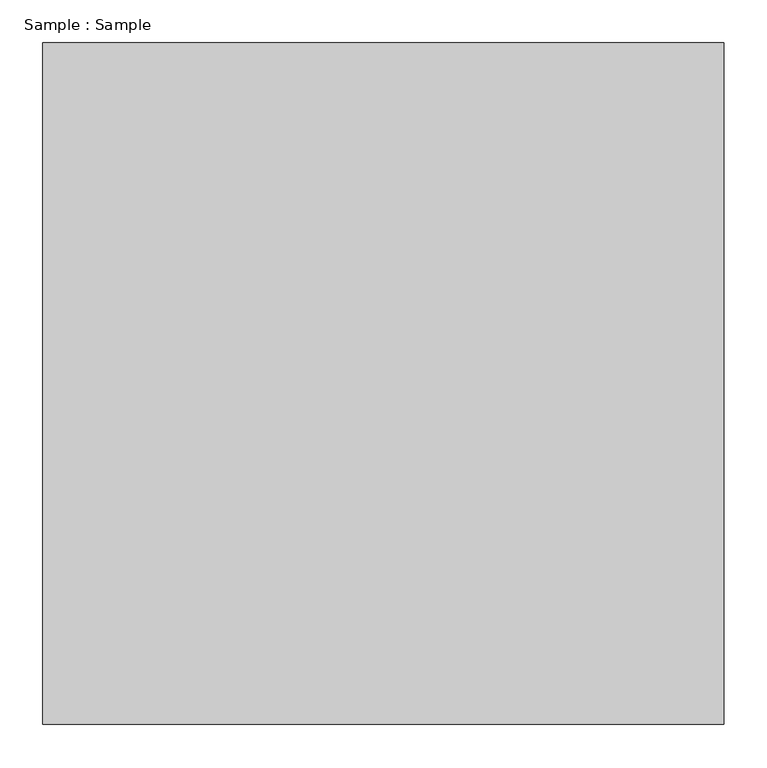
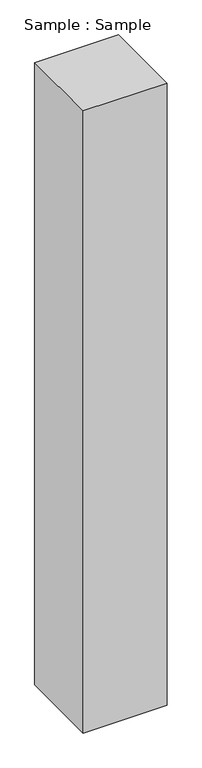
"""IFC4 building model written with IfcOpenShell, lengths in millimetres: proxy geometry, Sample : Sample."""

from ifc_helpers import new_model, si_unit, origin, origin_with_axes, place, context, project, spatial, polyline, outline, extrude, source, transform, mapped, element, save


def sample_sample_9d2db2c8(model_context):
    return source(origin(), model_context, "Body", "SweptSolid", [
        extrude(outline(polyline([(400.0, 400.0), (400.0, -400.0), (-400.0, -400.0), (-400.0, 400.0), (400.0, 400.0)])), origin_with_axes(), (0.0, 0.0, 1.0), 6275.862069),
    ])


if __name__ == "__main__":
    model = new_model("IFC4")
    model_context = context("Model", 3, world=origin())
    ifc_project = project(units=[si_unit("LENGTHUNIT", "METRE", prefix="MILLI")], contexts=[model_context])
    site = spatial("IfcSite", under=ifc_project)
    building = spatial("IfcBuilding", under=site)
    placement = place(None, origin())
    sample_sample_shape = sample_sample_9d2db2c8(model_context)
    element("IfcBuildingElementProxy", 1, Name="Sample : Sample", ObjectType="Sample : Sample", at=placement, inside=building, context=model_context, shape_type="MappedRepresentation", body=[
        mapped(sample_sample_shape, transform((0.0, 0.0, 0.0), x_axis=(1.0, 0.0, 0.0), y_axis=(0.0, 1.0, 0.0), z_axis=(0.0, 0.0, 1.0))),
    ])
    save(model, "model.ifc")
